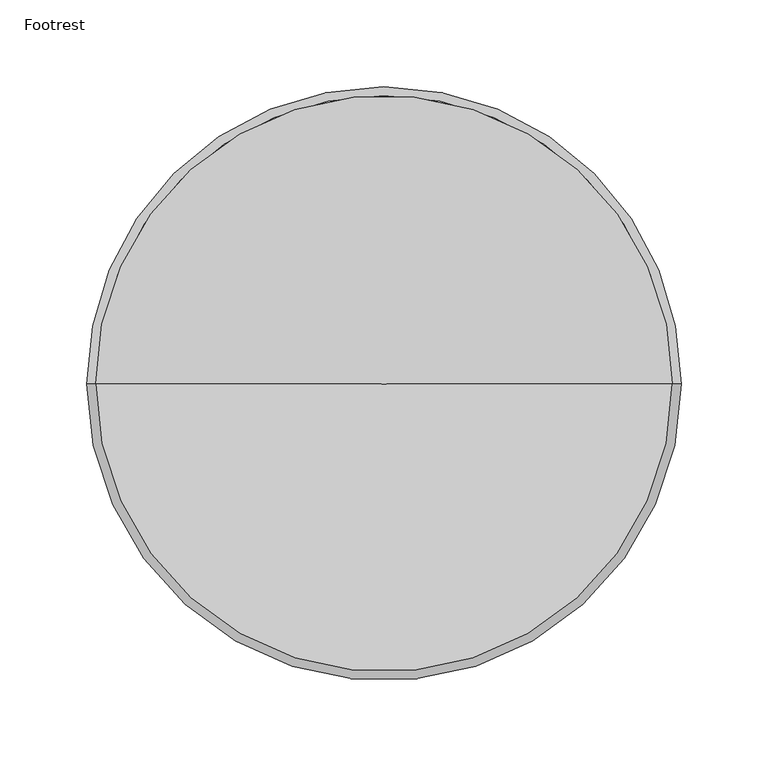
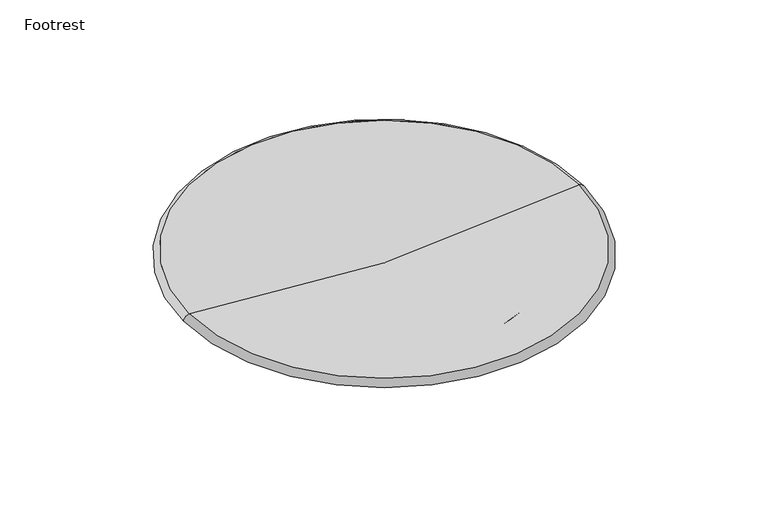
"""IFC4 building model written with IfcOpenShell, lengths in millimetres: furniture geometry, Footrest."""

from ifc_helpers import new_model, si_unit, point, frame, origin, place, context, project, spatial, polyline, circle_curve, ellipse_curve, trimmed, source, transform, mapped, element, save
from ifc_brep_helpers import revolved_surface, advanced_brep


def footrest_75a22ca3(model_context):
    return source(origin(), model_context, "Body", "AdvancedBrep", [
        advanced_brep(
        [(0.0, 0.0, 747.0), (166.0, 0.0, 759.0524385), (-166.0, 0.0, 759.0524385), (171.0, 0.0, 754.0524385), (-171.0, 0.0, 754.0524385), (149.2717099, 0.0, 754.0352658), (-149.2717099, 0.0, 754.0352658), (149.0857522, 0.0, 743.381756), (-149.0857522, 0.0, 743.381756), (143.3042965, 0.0, 738.469018), (-143.3042965, 0.0, 738.469018), (119.8410574, 0.0, 738.4695427), (-119.8410574, 0.0, 738.4695427), (114.9142478, 0.0, 743.381756), (-114.9142478, 0.0, 743.381756), (114.7854243, 0.0, 750.7620508), (-114.7854243, 0.0, 750.7620508), (0.0, 0.0, 745.0006092)],
        [
            (0, 1, circle_curve(frame((-2.4401982, 0.0, 1929.806577), z_axis=(0.0, -0.9999999999999999, 0.0), x_axis=(0.9999999999999999, 0.0, 0.0)), 1182.8090941)),
            (1, 2, circle_curve(frame((0.0, 0.0, 759.0524385), z_axis=(0.0, 0.0, 1.0), x_axis=(0.9999999999999999, 0.0, 0.0)), 166.0)),
            (2, 0, circle_curve(frame((2.4401982, 0.0, 1929.806577), z_axis=(0.0, -0.9999999999999999, 0.0), x_axis=(-0.9999999999999999, 0.0, 0.0)), 1182.8090941)),
            (3, 1, circle_curve(frame((165.4177567, 0.0, 753.4701952), z_axis=(0.0, -1.0, 0.0), x_axis=(1.0, 0.0, 0.0)), 5.612526)),
            (1, 2, circle_curve(frame((0.0, 0.0, 759.0524385), z_axis=(0.0, 0.0, -1.0), x_axis=(1.0, 0.0, 0.0)), 166.0)),
            (2, 4, circle_curve(frame((-165.4177567, 0.0, 753.4701952), z_axis=(0.0, -1.0, 0.0), x_axis=(-1.0, 0.0, 0.0)), 5.612526)),
            (4, 3, circle_curve(frame((0.0, 0.0, 754.0524385), z_axis=(0.0, 0.0, 1.0), x_axis=(1.0, 0.0, 0.0)), 171.0)),
            (5, 3),
            (4, 6),
            (6, 5, circle_curve(frame((0.0, 0.0, 754.0352658), z_axis=(0.0, 0.0, 1.0), x_axis=(1.0, 0.0, 0.0)), 149.2717099)),
            (7, 5),
            (6, 8),
            (8, 7, circle_curve(frame((0.0, 0.0, 743.381756), z_axis=(0.0, 0.0, 1.0), x_axis=(1.0, 0.0, 0.0)), 149.0857522)),
            (9, 7, circle_curve(frame((143.8473451, 0.0, 743.6882055), z_axis=(0.0, -1.0, 0.0), x_axis=(1.0, 0.0, 0.0)), 5.2473631)),
            (8, 10, circle_curve(frame((-143.8473451, 0.0, 743.6882055), z_axis=(0.0, -1.0, 0.0), x_axis=(-1.0, 0.0, 0.0)), 5.2473631)),
            (10, 9, circle_curve(frame((0.0, 0.0, 738.469018), z_axis=(0.0, 0.0, 1.0), x_axis=(1.0, 0.0, 0.0)), 143.3042965)),
            (9, 11),
            (11, 12, circle_curve(frame((0.0, 0.0, 738.4695427), z_axis=(0.0, 0.0, 1.0), x_axis=(1.0, 0.0, 0.0)), 119.8410574)),
            (12, 10),
            (10, 9, circle_curve(frame((0.0, 0.0, 738.469018), z_axis=(0.0, 0.0, -1.0), x_axis=(1.0, 0.0, 0.0)), 143.3042965)),
            (13, 11, circle_curve(frame((120.1787296, 0.0, 743.7350495), z_axis=(0.0, -1.0, 0.0), x_axis=(1.0, 0.0, 0.0)), 5.276323)),
            (11, 12, circle_curve(frame((0.0, 0.0, 738.4695427), z_axis=(0.0, 0.0, -1.0), x_axis=(1.0, 0.0, 0.0)), 119.8410574)),
            (12, 14, circle_curve(frame((-120.1787296, 0.0, 743.7350495), z_axis=(0.0, -1.0, 0.0), x_axis=(-1.0, 0.0, 0.0)), 5.276323)),
            (14, 13, circle_curve(frame((0.0, 0.0, 743.381756), z_axis=(0.0, 0.0, 1.0), x_axis=(1.0, 0.0, 0.0)), 114.9142478)),
            (13, 15),
            (15, 16, circle_curve(frame((0.0, 0.0, 750.7620508), z_axis=(0.0, 0.0, 1.0), x_axis=(1.0, 0.0, 0.0)), 114.7854243)),
            (16, 14),
            (14, 13, circle_curve(frame((0.0, 0.0, 743.381756), z_axis=(0.0, 0.0, -1.0), x_axis=(1.0, 0.0, 0.0)), 114.9142478)),
            (17, 15, circle_curve(frame((-5.7433616, 0.0, 2005.743777), z_axis=(0.0, -1.0, 0.0), x_axis=(1.0, 0.0, 0.0)), 1260.7562498)),
            (15, 16, circle_curve(frame((0.0, 0.0, 750.7620508), z_axis=(0.0, 0.0, -1.0), x_axis=(1.0, 0.0, 0.0)), 114.7854243)),
            (16, 17, circle_curve(frame((5.7433616, 0.0, 2005.743777), z_axis=(0.0, -1.0, 0.0), x_axis=(-1.0, 0.0, 0.0)), 1260.7562498)),
            (8, 7, circle_curve(frame((0.0, 0.0, 743.381756), z_axis=(0.0, 0.0, -1.0), x_axis=(1.0, 0.0, 0.0)), 149.0857522)),
            (6, 5, circle_curve(frame((0.0, 0.0, 754.0352658), z_axis=(0.0, 0.0, -1.0), x_axis=(1.0, 0.0, 0.0)), 149.2717099)),
            (4, 3, circle_curve(frame((0.0, 0.0, 754.0524385), z_axis=(0.0, 0.0, -1.0), x_axis=(1.0, 0.0, 0.0)), 171.0)),
        ],
        [
            revolved_surface(trimmed(ellipse_curve(frame((-2.4401982, 0.0, 1929.806577), z_axis=(0.0, 0.9999999999999999, 0.0), x_axis=(0.9999999999999999, 0.0, 0.0)), 1182.8090941, 1182.8090941), [point((166.0, 0.0, 759.0524385))], [point((0.0, 0.0, 747.0))], True, "CARTESIAN"), (0.0, 0.0, 1929.806577), (0.0, 0.0, 1.0)),
            revolved_surface(trimmed(ellipse_curve(frame((165.4177567, 0.0, 753.4701952), z_axis=(0.0, -1.0, 0.0), x_axis=(1.0, 0.0, 0.0)), 5.612526, 5.612526), [point((171.0, 0.0, 754.0524385))], [point((166.0, 0.0, 759.0524385))], True, "CARTESIAN"), (0.0, 0.0, 753.4701952), (0.0, 0.0, 1.0)),
            revolved_surface(polyline([(149.27173395098896, 0.0, 754.0352658), (171.0, 0.0, 754.0524385)]), (0.0, 0.0, 753.9172905), (0.0, 0.0, 1.0)),
            revolved_surface(polyline([(149.08575219467912, 0.0, 743.3817559999998), (149.2717099, 0.0, 754.0352658000002)]), (0.0, 0.0, -7797.7352647), (0.0, 0.0, 1.0)),
            revolved_surface(trimmed(ellipse_curve(frame((143.8473451, 0.0, 743.6882055), z_axis=(0.0, -1.0, 0.0), x_axis=(1.0, 0.0, 0.0)), 5.2473631, 5.2473631), [point((143.3042965, 0.0, 738.469018))], [point((149.0857522, 0.0, 743.381756))], True, "CARTESIAN"), (0.0, 0.0, 743.6882055), (0.0, 0.0, 1.0)),
            revolved_surface(polyline([(143.3042965, 0.0, 738.469018), (119.83767007938383, 0.0, 738.4695427)]), (0.0, 0.0, 738.4722222), (0.0, 0.0, -1.0)),
            revolved_surface(trimmed(ellipse_curve(frame((120.1787296, 0.0, 743.7350495), z_axis=(0.0, -1.0, 0.0), x_axis=(1.0, 0.0, 0.0)), 5.276323, 5.276323), [point((114.9142478, 0.0, 743.381756))], [point((119.8410574, 0.0, 738.4695427))], True, "CARTESIAN"), (0.0, 0.0, 743.7350495), (0.0, 0.0, 1.0)),
            revolved_surface(polyline([(114.9142478, 0.0, 743.3817559999998), (114.78542427512573, 0.0, 750.7620508)]), (0.0, 0.0, 7326.8146058), (0.0, 0.0, -1.0)),
            revolved_surface(trimmed(ellipse_curve(frame((-5.7433616, 0.0, 2005.743777), z_axis=(0.0, -1.0, 0.0), x_axis=(1.0, 0.0, 0.0)), 1260.7562498, 1260.7562498), [point((0.0, 0.0, 745.0006092))], [point((114.7854243, 0.0, 750.7620508))], True, "CARTESIAN"), (0.0, 0.0, 2005.743777), (0.0, 0.0, 1.0)),
        ],
        [
            (0, [[1, 2, 3]]),
            (1, [[4, 5, 6, 7]]),
            (2, [[8, -7, 9, 10]]),
            (3, [[11, -10, 12, 13]]),
            (4, [[14, -13, 15, 16]]),
            (5, [[17, 18, 19, 20]]),
            (6, [[21, 22, 23, 24]]),
            (7, [[25, 26, 27, 28]]),
            (8, [[29, 30, 31]]),
            (8, [[-29, -31, -26]]),
            (7, [[-25, -24, -27, -30]]),
            (6, [[-21, -28, -23, -18]]),
            (5, [[-17, -16, -19, -22]]),
            (4, [[-14, -20, -15, 32]]),
            (3, [[-11, -32, -12, 33]]),
            (2, [[-8, -33, -9, 34]]),
            (1, [[-4, -34, -6, -2]]),
            (0, [[-1, -3, -5]]),
        ],
    ),
    ])


if __name__ == "__main__":
    model = new_model("IFC4")
    model_context = context("Model", 3, world=origin())
    ifc_project = project(units=[si_unit("LENGTHUNIT", "METRE", prefix="MILLI")], contexts=[model_context])
    site = spatial("IfcSite", under=ifc_project)
    building = spatial("IfcBuilding", under=site)
    placement = place(None, origin())
    footrest_shape = footrest_75a22ca3(model_context)
    element("IfcFurniture", 1, ObjectType="Footrest", at=placement, inside=building, context=model_context, shape_type="MappedRepresentation", body=[
        mapped(footrest_shape, transform((0.0, 0.0, 0.0), x_axis=(1.0, 0.0, 0.0), y_axis=(0.0, 1.0, 0.0), z_axis=(0.0, 0.0, 1.0))),
    ])
    save(model, "model.ifc")
